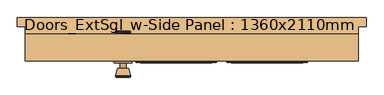
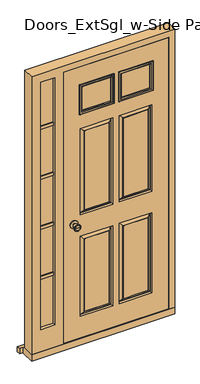
"""IFC4 building model written with IfcOpenShell, lengths in millimetres: door geometry, Doors_ExtSgl_w-Side Panel : 1360x2110mm."""

from ifc_helpers import new_model, si_unit, point, frame, frame_2d, origin, place, context, project, spatial, polyline, circle_curve, ellipse_curve, trimmed, segment, composite_curve, outline, extrude, faceted_brep, source, transform, mapped, element, save
from ifc_brep_helpers import plane_surface, cylinder_surface, revolved_surface, advanced_brep


def doors_extsgl_w_side_panel_1360x2110mm_85254eec(model_context):
    return source(origin(), model_context, "Body", "SolidModel", [
        advanced_brep(
        [(-505.5, -70.0, 1000.0), (-495.5, -70.0, 1000.0), (-515.5, -70.0, 1000.0), (-485.0241324, -119.0, 1000.0), (-505.5, -119.0, 1000.0), (-525.9758676, -119.0, 1000.0), (-480.5, -117.1721319, 1000.0), (-530.5, -117.1721319, 1000.0), (-480.5, -113.7084537, 1000.0), (-530.5, -113.7084537, 1000.0), (-486.863764, -89.0, 1000.0), (-524.136236, -89.0, 1000.0), (-495.5, -89.0, 1000.0), (-515.5, -89.0, 1000.0)],
        [
            (0, 1),
            (1, 2, circle_curve(frame((-505.5, -70.0, 1000.0), z_axis=(0.0, 1.0, 0.0), x_axis=(-1.0, 0.0, 0.0)), 10.0)),
            (2, 0),
            (2, 1, circle_curve(frame((-505.5, -70.0, 1000.0), z_axis=(0.0, 1.0, 0.0), x_axis=(-1.0, 0.0, 0.0)), 10.0)),
            (3, 4),
            (4, 5),
            (5, 3, circle_curve(frame((-505.5, -119.0, 1000.0), z_axis=(0.0, -1.0, 0.0), x_axis=(-1.0, 0.0, 0.0)), 20.4758676)),
            (3, 5, circle_curve(frame((-505.5, -119.0, 1000.0), z_axis=(0.0, -1.0, 0.0), x_axis=(-1.0, 0.0, 0.0)), 20.4758676)),
            (6, 3),
            (5, 7),
            (7, 6, circle_curve(frame((-505.5, -117.1721319, 1000.0), z_axis=(0.0, -1.0, 0.0), x_axis=(-1.0, 0.0, 0.0)), 25.0)),
            (6, 7, circle_curve(frame((-505.5, -117.1721319, 1000.0), z_axis=(0.0, -1.0, 0.0), x_axis=(-1.0, 0.0, 0.0)), 25.0)),
            (8, 6),
            (7, 9),
            (9, 8, circle_curve(frame((-505.5, -113.7084537, 1000.0), z_axis=(0.0, -1.0, 0.0), x_axis=(-1.0, 0.0, 0.0)), 25.0)),
            (8, 9, circle_curve(frame((-505.5, -113.7084537, 1000.0), z_axis=(0.0, -1.0, 0.0), x_axis=(-1.0, 0.0, 0.0)), 25.0)),
            (10, 8),
            (9, 11),
            (11, 10, circle_curve(frame((-505.5, -89.0, 1000.0), z_axis=(0.0, -1.0, 0.0), x_axis=(-1.0, 0.0, 0.0)), 18.636236)),
            (10, 11, circle_curve(frame((-505.5, -89.0, 1000.0), z_axis=(0.0, -1.0, 0.0), x_axis=(-1.0, 0.0, 0.0)), 18.636236)),
            (12, 10),
            (11, 13),
            (13, 12, circle_curve(frame((-505.5, -89.0, 1000.0), z_axis=(0.0, -1.0, 0.0), x_axis=(-1.0, 0.0, 0.0)), 10.0)),
            (12, 13, circle_curve(frame((-505.5, -89.0, 1000.0), z_axis=(0.0, -1.0, 0.0), x_axis=(-1.0, 0.0, 0.0)), 10.0)),
            (1, 12),
            (13, 2),
        ],
        [
            plane_surface(frame((-505.5, -70.0, 1000.0), z_axis=(0.0, 1.0, 0.0), x_axis=(-1.0, 0.0, 0.0))),
            plane_surface(frame((-505.5, -119.0, 1000.0), z_axis=(0.0, -1.0, 0.0), x_axis=(-1.0, 0.0, 0.0))),
            revolved_surface(polyline([(-525.9758676, -119.0, 1000.0), (-530.5, -117.1721319, 1000.0)]), (-505.5, -70.0, 1000.0), (0.0, 1.0, 0.0)),
            cylinder_surface(frame((-505.5, -70.0, 1000.0), z_axis=(0.0, 1.0, 0.0), x_axis=(-1.0, 0.0, 0.0)), 25.0),
            revolved_surface(polyline([(-530.5, -113.7084537, 1000.0), (-524.136236, -89.0, 1000.0)]), (-505.5, -70.0, 1000.0), (0.0, 1.0, 0.0)),
            plane_surface(frame((-505.5, -89.0, 1000.0), z_axis=(0.0, 1.0, 0.0), x_axis=(-1.0, 0.0, 0.0))),
            cylinder_surface(frame((-505.5, -70.0, 1000.0), z_axis=(0.0, 1.0, 0.0), x_axis=(-1.0, 0.0, 0.0)), 10.0),
        ],
        [
            (0, [[1, 2, 3]]),
            (0, [[-3, 4, -1]]),
            (1, [[5, 6, 7]]),
            (1, [[-6, -5, 8]]),
            (2, [[9, -7, 10, 11]]),
            (2, [[-10, -8, -9, 12]]),
            (3, [[13, -11, 14, 15]]),
            (3, [[-14, -12, -13, 16]]),
            (4, [[17, -15, 18, 19]]),
            (4, [[-18, -16, -17, 20]]),
            (5, [[21, -19, 22, 23]]),
            (5, [[-22, -20, -21, 24]]),
            (6, [[25, -23, 26, -2]]),
            (6, [[-26, -24, -25, -4]]),
        ],
    ),
        extrude(outline(composite_curve([segment(trimmed(circle_curve(frame_2d((1000.0, -505.5)), 30.0), [point((1000.0, -535.5))], [point((1000.0, -475.5))], False, "CARTESIAN"), True, "CONTINUOUS"), segment(trimmed(circle_curve(frame_2d((1000.0, -505.5)), 30.0), [point((1000.0, -475.5))], [point((1000.0, -535.5))], False, "CARTESIAN"), True, "CONTINUOUS")], self_intersect=False)), frame((0.0, -70.0, 0.0), z_axis=(0.0, 1.0, 0.0), x_axis=(0.0, 0.0, 1.0)), (0.0, 0.0, 1.0), 6.0),
        advanced_brep(
        [(-505.5, -14.0, 1000.0), (-515.5, -14.0, 1000.0), (-495.5, -14.0, 1000.0), (-485.0241324, 35.0, 1000.0), (-525.9758676, 35.0, 1000.0), (-505.5, 35.0, 1000.0), (-480.5, 33.1721319, 1000.0), (-530.5, 33.1721319, 1000.0), (-480.5, 29.7084537, 1000.0), (-530.5, 29.7084537, 1000.0), (-486.863764, 5.0, 1000.0), (-524.136236, 5.0, 1000.0), (-495.5, 5.0, 1000.0), (-515.5, 5.0, 1000.0)],
        [
            (0, 1),
            (1, 2, circle_curve(frame((-505.5, -14.0, 1000.0), z_axis=(0.0, -1.0, 0.0), x_axis=(-1.0, 0.0, 0.0)), 10.0)),
            (2, 0),
            (2, 1, circle_curve(frame((-505.5, -14.0, 1000.0), z_axis=(0.0, -1.0, 0.0), x_axis=(-1.0, 0.0, 0.0)), 10.0)),
            (3, 4, circle_curve(frame((-505.5, 35.0, 1000.0), z_axis=(0.0, 1.0, 0.0), x_axis=(-1.0, 0.0, 0.0)), 20.4758676)),
            (4, 5),
            (5, 3),
            (4, 3, circle_curve(frame((-505.5, 35.0, 1000.0), z_axis=(0.0, 1.0, 0.0), x_axis=(-1.0, 0.0, 0.0)), 20.4758676)),
            (6, 7, circle_curve(frame((-505.5, 33.1721319, 1000.0), z_axis=(0.0, 1.0, 0.0), x_axis=(-1.0, 0.0, 0.0)), 25.0)),
            (7, 4),
            (3, 6),
            (7, 6, circle_curve(frame((-505.5, 33.1721319, 1000.0), z_axis=(0.0, 1.0, 0.0), x_axis=(-1.0, 0.0, 0.0)), 25.0)),
            (8, 9, circle_curve(frame((-505.5, 29.7084537, 1000.0), z_axis=(0.0, 1.0, 0.0), x_axis=(-1.0, 0.0, 0.0)), 25.0)),
            (9, 7),
            (6, 8),
            (9, 8, circle_curve(frame((-505.5, 29.7084537, 1000.0), z_axis=(0.0, 1.0, 0.0), x_axis=(-1.0, 0.0, 0.0)), 25.0)),
            (10, 11, circle_curve(frame((-505.5, 5.0, 1000.0), z_axis=(0.0, 1.0, 0.0), x_axis=(-1.0, 0.0, 0.0)), 18.636236)),
            (11, 9),
            (8, 10),
            (11, 10, circle_curve(frame((-505.5, 5.0, 1000.0), z_axis=(0.0, 1.0, 0.0), x_axis=(-1.0, 0.0, 0.0)), 18.636236)),
            (12, 13, circle_curve(frame((-505.5, 5.0, 1000.0), z_axis=(0.0, 1.0, 0.0), x_axis=(-1.0, 0.0, 0.0)), 10.0)),
            (13, 11),
            (10, 12),
            (13, 12, circle_curve(frame((-505.5, 5.0, 1000.0), z_axis=(0.0, 1.0, 0.0), x_axis=(-1.0, 0.0, 0.0)), 10.0)),
            (1, 13),
            (12, 2),
        ],
        [
            plane_surface(frame((-505.5, -14.0, 1000.0), z_axis=(0.0, -1.0, 0.0), x_axis=(-1.0, 0.0, 0.0))),
            plane_surface(frame((-505.5, 35.0, 1000.0), z_axis=(0.0, 1.0, 0.0), x_axis=(-1.0, 0.0, 0.0))),
            revolved_surface(polyline([(-525.9758676, 35.0, 1000.0), (-530.5, 33.1721319, 1000.0)]), (-505.5, -14.0, 1000.0), (0.0, -1.0, 0.0)),
            cylinder_surface(frame((-505.5, -14.0, 1000.0), z_axis=(0.0, -1.0, 0.0), x_axis=(-1.0, 0.0, 0.0)), 25.0),
            revolved_surface(polyline([(-530.5, 29.7084537, 1000.0), (-524.136236, 5.0, 1000.0)]), (-505.5, -14.0, 1000.0), (0.0, -1.0, 0.0)),
            plane_surface(frame((-505.5, 5.0, 1000.0), z_axis=(0.0, -1.0, 0.0), x_axis=(-1.0, 0.0, 0.0))),
            cylinder_surface(frame((-505.5, -14.0, 1000.0), z_axis=(0.0, -1.0, 0.0), x_axis=(-1.0, 0.0, 0.0)), 10.0),
        ],
        [
            (0, [[1, 2, 3]]),
            (0, [[-3, 4, -1]]),
            (1, [[5, 6, 7]]),
            (1, [[8, -7, -6]]),
            (2, [[9, 10, -5, 11]]),
            (2, [[12, -11, -8, -10]]),
            (3, [[13, 14, -9, 15]]),
            (3, [[16, -15, -12, -14]]),
            (4, [[17, 18, -13, 19]]),
            (4, [[20, -19, -16, -18]]),
            (5, [[21, 22, -17, 23]]),
            (5, [[24, -23, -20, -22]]),
            (6, [[-2, 25, -21, 26]]),
            (6, [[-4, -26, -24, -25]]),
        ],
    ),
        extrude(outline(composite_curve([segment(trimmed(circle_curve(frame_2d((1000.0, -505.5)), 30.0), [point((1000.0, -535.5))], [point((1000.0, -475.5))], False, "CARTESIAN"), True, "CONTINUOUS"), segment(trimmed(circle_curve(frame_2d((1000.0, -505.5)), 30.0), [point((1000.0, -475.5))], [point((1000.0, -535.5))], False, "CARTESIAN"), True, "CONTINUOUS")], self_intersect=False)), frame((0.0, -20.0, 0.0), z_axis=(0.0, 1.0, 0.0), x_axis=(0.0, 0.0, 1.0)), (0.0, 0.0, 1.0), 6.0),
        faceted_brep([(200.5, 25.0, 54.5), (271.0, 25.0, 54.5), (271.0, -64.0, 54.5), (222.5, -64.0, 54.5), (222.5, -17.0, 54.5), (200.5, -17.0, 54.5), (200.5, 25.0, 2239.5), (-563.5, 25.0, 2239.5), (-563.5, 25.0, 54.5), (-829.0, 25.0, 54.5), (-829.0, 25.0, 2310.0), (271.0, 25.0, 2310.0), (-649.5, 25.0, 2239.5), (-758.5, 25.0, 2239.5), (-758.5, 25.0, 233.5), (-649.5, 25.0, 233.5), (271.0, -64.0, 2310.0), (-829.0, -64.0, 2310.0), (-829.0, -64.0, 54.5), (-585.5, -64.0, 54.5), (-585.5, -64.0, 2261.5), (222.5, -64.0, 2261.5), (-649.5, -64.0, 233.5), (-758.5, -64.0, 233.5), (-758.5, -64.0, 2239.5), (-649.5, -64.0, 2239.5), (222.5, -17.0, 2261.5), (-585.5, -17.0, 2261.5), (-585.5, -17.0, 54.5), (-563.5, -17.0, 54.5), (-563.5, -17.0, 2239.5), (200.5, -17.0, 2239.5), (-627.5, -17.0, 2261.5), (-780.5, -17.0, 2261.5), (-780.5, -17.0, 218.5), (-627.5, -17.0, 218.5), (-758.5, -17.0, 2239.5), (-649.5, -17.0, 2239.5), (-649.5, -17.0, 233.5), (-758.5, -17.0, 233.5), (-649.5, -41.0, 233.5), (-758.5, -41.0, 233.5), (-758.5, -41.0, 2239.5), (-649.5, -41.0, 2239.5), (-780.5, -41.0, 2261.5), (-780.5, -41.0, 218.5), (-627.5, -41.0, 218.5), (-627.5, -41.0, 2261.5)], [[[0, 1, 2, 3, 4, 5]], [[1, 0, 6, 7, 8, 9, 10, 11], [12, 13, 14, 15]], [[2, 1, 11, 16]], [[3, 2, 16, 17, 18, 19, 20, 21], [22, 23, 24, 25]], [[4, 3, 21, 26]], [[5, 4, 26, 27, 28, 29, 30, 31]], [[32, 33, 34, 35], [36, 37, 38, 39]], [[0, 5, 31, 6]], [[29, 8, 7, 30]], [[18, 9, 8, 29, 28, 19]], [[10, 9, 18, 17]], [[13, 36, 39, 14]], [[39, 38, 15, 14]], [[37, 12, 15, 38]], [[23, 22, 40, 41]], [[24, 23, 41, 42]], [[22, 25, 43, 40]], [[19, 28, 27, 20]], [[44, 45, 34, 33]], [[45, 46, 35, 34]], [[46, 47, 32, 35]], [[46, 45, 44, 47], [41, 40, 43, 42]], [[11, 10, 17, 16]], [[26, 21, 20, 27]], [[33, 32, 47, 44]], [[6, 31, 30, 7]], [[36, 13, 12, 37]], [[25, 24, 42, 43]]]),
        extrude(outline(polyline([(94.5, -54.0), (-155.5, -54.0), (-155.5, -30.0), (94.5, -30.0), (94.5, -54.0)])), frame((0.0, 0.0, 1883.5), z_axis=(0.0, 0.0, 1.0), x_axis=(1.0, 0.0, 0.0)), (0.0, 0.0, 1.0), 225.0),
        extrude(outline(polyline([(-205.5, -54.0), (-455.5, -54.0), (-455.5, -30.0), (-205.5, -30.0), (-205.5, -54.0)])), frame((0.0, 0.0, 1883.5), z_axis=(0.0, 0.0, 1.0), x_axis=(1.0, 0.0, 0.0)), (0.0, 0.0, 1.0), 225.0),
        faceted_brep([(296.0, 80.0, 0.0), (296.0, 80.0, 38.5947221), (296.0, 50.0, 47.2703282), (296.0, 50.0, 0.0), (-854.0, 80.0, 38.5947221), (-854.0, 80.0, 0.0), (-854.0, 50.0, 0.0), (-854.0, 50.0, 47.2703282), (271.0, 50.0, 0.0), (271.0, -64.0, 0.0), (-829.0, -64.0, 0.0), (-829.0, 50.0, 0.0), (-829.0, 50.0, 47.2703282), (-829.0, 25.0, 54.5), (271.0, 25.0, 54.5), (271.0, 50.0, 47.2703282), (-829.0, -64.0, 54.5), (271.0, -64.0, 54.5)], [[[0, 1, 2, 3]], [[4, 5, 6, 7]], [[5, 0, 3, 8, 9, 10, 11, 6]], [[1, 0, 5, 4]], [[1, 4, 7, 12, 13, 14, 15, 2]], [[13, 16, 17, 14]], [[16, 10, 9, 17]], [[12, 11, 10, 16, 13]], [[11, 12, 7, 6]], [[8, 15, 14, 17, 9]], [[15, 8, 3, 2]]]),
        faceted_brep([(219.5, -64.0, 58.5), (219.5, -64.0, 2258.5), (-580.5, -64.0, 2258.5), (-580.5, -64.0, 58.5), (-155.5, -64.0, 1883.5), (-155.5, -64.0, 2108.5), (94.5, -64.0, 2108.5), (94.5, -64.0, 1883.5), (-455.5, -64.0, 1883.5), (-455.5, -64.0, 2108.5), (-205.5, -64.0, 2108.5), (-205.5, -64.0, 1883.5), (-205.5, -64.0, 883.5), (-205.5, -64.0, 233.5), (-455.5, -64.0, 233.5), (-455.5, -64.0, 883.5), (94.5, -64.0, 883.5), (94.5, -64.0, 233.5), (-155.5, -64.0, 233.5), (-155.5, -64.0, 883.5), (-205.5, -64.0, 1758.5), (-205.5, -64.0, 1058.5), (-455.5, -64.0, 1058.5), (-455.5, -64.0, 1758.5), (94.5, -64.0, 1758.5), (94.5, -64.0, 1058.5), (-155.5, -64.0, 1058.5), (-155.5, -64.0, 1758.5), (-235.5, -64.0, 263.5), (-235.5, -64.0, 853.5), (-425.5, -64.0, 853.5), (-425.5, -64.0, 263.5), (64.5, -64.0, 263.5), (64.5, -64.0, 853.5), (-125.5, -64.0, 853.5), (-125.5, -64.0, 263.5), (-235.5, -64.0, 1088.5), (-235.5, -64.0, 1728.5), (-425.5, -64.0, 1728.5), (-425.5, -64.0, 1088.5), (64.5, -64.0, 1088.5), (64.5, -64.0, 1728.5), (-125.5, -64.0, 1728.5), (-125.5, -64.0, 1088.5), (219.5, -20.0, 58.5), (-580.5, -20.0, 58.5), (-580.5, -20.0, 2258.5), (219.5, -20.0, 2258.5), (-155.5, -20.0, 1883.5), (94.5, -20.0, 1883.5), (94.5, -20.0, 2108.5), (-155.5, -20.0, 2108.5), (-455.5, -20.0, 1883.5), (-205.5, -20.0, 1883.5), (-205.5, -20.0, 2108.5), (-455.5, -20.0, 2108.5), (-155.5, -20.0, 883.5), (-155.5, -20.0, 233.5), (94.5, -20.0, 233.5), (94.5, -20.0, 883.5), (-455.5, -20.0, 883.5), (-455.5, -20.0, 233.5), (-205.5, -20.0, 233.5), (-205.5, -20.0, 883.5), (-155.5, -20.0, 1758.5), (-155.5, -20.0, 1058.5), (94.5, -20.0, 1058.5), (94.5, -20.0, 1758.5), (-455.5, -20.0, 1758.5), (-455.5, -20.0, 1058.5), (-205.5, -20.0, 1058.5), (-205.5, -20.0, 1758.5), (-125.5, -20.0, 263.5), (-125.5, -20.0, 853.5), (64.5, -20.0, 853.5), (64.5, -20.0, 263.5), (-425.5, -20.0, 263.5), (-425.5, -20.0, 853.5), (-235.5, -20.0, 853.5), (-235.5, -20.0, 263.5), (-125.5, -20.0, 1088.5), (-125.5, -20.0, 1728.5), (64.5, -20.0, 1728.5), (64.5, -20.0, 1088.5), (-425.5, -20.0, 1088.5), (-425.5, -20.0, 1728.5), (-235.5, -20.0, 1728.5), (-235.5, -20.0, 1088.5), (-152.5, -35.0, 880.5), (-152.5, -35.0, 236.5), (-127.5, -21.0, 855.5), (-127.5, -21.0, 261.5), (-147.5, -35.0, 241.5), (-147.5, -35.0, 875.5), (-125.5, -21.0, 263.5), (-125.5, -21.0, 853.5), (91.5, -35.0, 236.5), (66.5, -21.0, 261.5), (86.5, -35.0, 241.5), (64.5, -21.0, 263.5), (91.5, -35.0, 880.5), (66.5, -21.0, 855.5), (86.5, -35.0, 875.5), (64.5, -21.0, 853.5), (-452.5, -35.0, 880.5), (-452.5, -35.0, 236.5), (-427.5, -21.0, 855.5), (-427.5, -21.0, 261.5), (-447.5, -35.0, 241.5), (-447.5, -35.0, 875.5), (-425.5, -21.0, 263.5), (-425.5, -21.0, 853.5), (-208.5, -35.0, 236.5), (-233.5, -21.0, 261.5), (-213.5, -35.0, 241.5), (-235.5, -21.0, 263.5), (-208.5, -35.0, 880.5), (-233.5, -21.0, 855.5), (-213.5, -35.0, 875.5), (-235.5, -21.0, 853.5), (-235.5, -63.0, 263.5), (-235.5, -63.0, 853.5), (-213.5, -49.0, 241.5), (-213.5, -49.0, 875.5), (-233.5, -63.0, 855.5), (-233.5, -63.0, 261.5), (-208.5, -49.0, 880.5), (-208.5, -49.0, 236.5), (-425.5, -63.0, 853.5), (-447.5, -49.0, 875.5), (-427.5, -63.0, 855.5), (-452.5, -49.0, 880.5), (-425.5, -63.0, 263.5), (-447.5, -49.0, 241.5), (-427.5, -63.0, 261.5), (-452.5, -49.0, 236.5), (91.5, -49.0, 880.5), (91.5, -49.0, 236.5), (66.5, -63.0, 855.5), (66.5, -63.0, 261.5), (86.5, -49.0, 241.5), (86.5, -49.0, 875.5), (64.5, -63.0, 263.5), (64.5, -63.0, 853.5), (-152.5, -49.0, 236.5), (-127.5, -63.0, 261.5), (-147.5, -49.0, 241.5), (-125.5, -63.0, 263.5), (-152.5, -49.0, 880.5), (-127.5, -63.0, 855.5), (-147.5, -49.0, 875.5), (-125.5, -63.0, 853.5), (-125.5, -21.0, 1088.5), (-125.5, -21.0, 1728.5), (-147.5, -35.0, 1066.5), (-147.5, -35.0, 1750.5), (-127.5, -21.0, 1730.5), (-127.5, -21.0, 1086.5), (-152.5, -35.0, 1755.5), (-152.5, -35.0, 1061.5), (64.5, -21.0, 1728.5), (86.5, -35.0, 1750.5), (66.5, -21.0, 1730.5), (91.5, -35.0, 1755.5), (64.5, -21.0, 1088.5), (86.5, -35.0, 1066.5), (66.5, -21.0, 1086.5), (91.5, -35.0, 1061.5), (-425.5, -21.0, 1088.5), (-425.5, -21.0, 1728.5), (-447.5, -35.0, 1066.5), (-447.5, -35.0, 1750.5), (-427.5, -21.0, 1730.5), (-427.5, -21.0, 1086.5), (-452.5, -35.0, 1755.5), (-452.5, -35.0, 1061.5), (-235.5, -21.0, 1728.5), (-213.5, -35.0, 1750.5), (-233.5, -21.0, 1730.5), (-208.5, -35.0, 1755.5), (-235.5, -21.0, 1088.5), (-213.5, -35.0, 1066.5), (-233.5, -21.0, 1086.5), (-208.5, -35.0, 1061.5), (-235.5, -63.0, 1088.5), (-235.5, -63.0, 1728.5), (-213.5, -49.0, 1066.5), (-213.5, -49.0, 1750.5), (-233.5, -63.0, 1730.5), (-233.5, -63.0, 1086.5), (-208.5, -49.0, 1755.5), (-208.5, -49.0, 1061.5), (-425.5, -63.0, 1728.5), (-447.5, -49.0, 1750.5), (-427.5, -63.0, 1730.5), (-452.5, -49.0, 1755.5), (-425.5, -63.0, 1088.5), (-447.5, -49.0, 1066.5), (-427.5, -63.0, 1086.5), (-452.5, -49.0, 1061.5), (91.5, -49.0, 1755.5), (91.5, -49.0, 1061.5), (66.5, -63.0, 1730.5), (66.5, -63.0, 1086.5), (86.5, -49.0, 1066.5), (86.5, -49.0, 1750.5), (64.5, -63.0, 1088.5), (64.5, -63.0, 1728.5), (-152.5, -49.0, 1061.5), (-127.5, -63.0, 1086.5), (-147.5, -49.0, 1066.5), (-125.5, -63.0, 1088.5), (-152.5, -49.0, 1755.5), (-127.5, -63.0, 1730.5), (-147.5, -49.0, 1750.5), (-125.5, -63.0, 1728.5)], [[[0, 1, 2, 3], [4, 5, 6, 7], [8, 9, 10, 11], [12, 13, 14, 15], [16, 17, 18, 19], [20, 21, 22, 23], [24, 25, 26, 27]], [[28, 29, 30, 31]], [[32, 33, 34, 35]], [[36, 37, 38, 39]], [[40, 41, 42, 43]], [[44, 45, 46, 47], [48, 49, 50, 51], [52, 53, 54, 55], [56, 57, 58, 59], [60, 61, 62, 63], [64, 65, 66, 67], [68, 69, 70, 71]], [[72, 73, 74, 75]], [[76, 77, 78, 79]], [[80, 81, 82, 83]], [[84, 85, 86, 87]], [[1, 0, 44, 47]], [[2, 1, 47, 46]], [[3, 2, 46, 45]], [[0, 3, 45, 44]], [[5, 4, 48, 51]], [[6, 5, 51, 50]], [[7, 6, 50, 49]], [[4, 7, 49, 48]], [[9, 8, 52, 55]], [[10, 9, 55, 54]], [[11, 10, 54, 53]], [[8, 11, 53, 52]], [[88, 89, 57, 56]], [[90, 91, 92, 93]], [[72, 94, 95, 73]], [[57, 89, 96, 58]], [[92, 91, 97, 98]], [[94, 72, 75, 99]], [[58, 96, 100, 59]], [[98, 97, 101, 102]], [[99, 75, 74, 103]], [[88, 56, 59, 100]], [[89, 88, 100, 96], [93, 92, 98, 102]], [[90, 93, 102, 101]], [[91, 90, 101, 97], [95, 94, 99, 103]], [[73, 95, 103, 74]], [[104, 105, 61, 60]], [[106, 107, 108, 109]], [[76, 110, 111, 77]], [[61, 105, 112, 62]], [[108, 107, 113, 114]], [[110, 76, 79, 115]], [[62, 112, 116, 63]], [[114, 113, 117, 118]], [[115, 79, 78, 119]], [[104, 60, 63, 116]], [[105, 104, 116, 112], [109, 108, 114, 118]], [[106, 109, 118, 117]], [[107, 106, 117, 113], [111, 110, 115, 119]], [[77, 111, 119, 78]], [[120, 121, 29, 28]], [[122, 123, 124, 125]], [[12, 126, 127, 13]], [[29, 121, 128, 30]], [[124, 123, 129, 130]], [[126, 12, 15, 131]], [[30, 128, 132, 31]], [[130, 129, 133, 134]], [[131, 15, 14, 135]], [[120, 28, 31, 132]], [[125, 124, 130, 134], [121, 120, 132, 128]], [[122, 125, 134, 133]], [[127, 126, 131, 135], [123, 122, 133, 129]], [[13, 127, 135, 14]], [[136, 137, 17, 16]], [[138, 139, 140, 141]], [[32, 142, 143, 33]], [[17, 137, 144, 18]], [[140, 139, 145, 146]], [[142, 32, 35, 147]], [[18, 144, 148, 19]], [[146, 145, 149, 150]], [[147, 35, 34, 151]], [[136, 16, 19, 148]], [[137, 136, 148, 144], [141, 140, 146, 150]], [[138, 141, 150, 149]], [[139, 138, 149, 145], [143, 142, 147, 151]], [[33, 143, 151, 34]], [[152, 153, 81, 80]], [[154, 155, 156, 157]], [[64, 158, 159, 65]], [[81, 153, 160, 82]], [[156, 155, 161, 162]], [[158, 64, 67, 163]], [[82, 160, 164, 83]], [[162, 161, 165, 166]], [[163, 67, 66, 167]], [[152, 80, 83, 164]], [[157, 156, 162, 166], [153, 152, 164, 160]], [[154, 157, 166, 165]], [[159, 158, 163, 167], [155, 154, 165, 161]], [[65, 159, 167, 66]], [[168, 169, 85, 84]], [[170, 171, 172, 173]], [[68, 174, 175, 69]], [[85, 169, 176, 86]], [[172, 171, 177, 178]], [[174, 68, 71, 179]], [[86, 176, 180, 87]], [[178, 177, 181, 182]], [[179, 71, 70, 183]], [[168, 84, 87, 180]], [[173, 172, 178, 182], [169, 168, 180, 176]], [[170, 173, 182, 181]], [[175, 174, 179, 183], [171, 170, 181, 177]], [[69, 175, 183, 70]], [[184, 185, 37, 36]], [[186, 187, 188, 189]], [[20, 190, 191, 21]], [[37, 185, 192, 38]], [[188, 187, 193, 194]], [[190, 20, 23, 195]], [[38, 192, 196, 39]], [[194, 193, 197, 198]], [[195, 23, 22, 199]], [[184, 36, 39, 196]], [[189, 188, 194, 198], [185, 184, 196, 192]], [[186, 189, 198, 197]], [[191, 190, 195, 199], [187, 186, 197, 193]], [[21, 191, 199, 22]], [[200, 201, 25, 24]], [[202, 203, 204, 205]], [[40, 206, 207, 41]], [[25, 201, 208, 26]], [[204, 203, 209, 210]], [[206, 40, 43, 211]], [[26, 208, 212, 27]], [[210, 209, 213, 214]], [[211, 43, 42, 215]], [[200, 24, 27, 212]], [[201, 200, 212, 208], [205, 204, 210, 214]], [[202, 205, 214, 213]], [[203, 202, 213, 209], [207, 206, 211, 215]], [[41, 207, 215, 42]]]),
        advanced_brep(
        [(102.5, -68.0, 1875.5), (102.5, -64.0, 1875.5), (102.5, -64.0, 2116.5), (102.5, -68.0, 2116.5), (100.5, -70.0, 1877.5), (100.5, -70.0, 2114.5), (82.5, -65.0, 1895.5), (87.5, -70.0, 1890.5), (87.5, -70.0, 2101.5), (82.5, -65.0, 2096.5), (82.5, -54.0, 1895.5), (82.5, -54.0, 2096.5), (94.5, -64.0, 1883.5), (94.5, -54.0, 1883.5), (94.5, -54.0, 2108.5), (94.5, -64.0, 2108.5), (-163.5, -64.0, 2116.5), (-163.5, -68.0, 2116.5), (-161.5, -70.0, 2114.5), (-148.5, -70.0, 2101.5), (-143.5, -65.0, 2096.5), (-143.5, -54.0, 2096.5), (-155.5, -54.0, 2108.5), (-155.5, -64.0, 2108.5), (-163.5, -64.0, 1875.5), (-163.5, -68.0, 1875.5), (-161.5, -70.0, 1877.5), (-148.5, -70.0, 1890.5), (-143.5, -65.0, 1895.5), (-143.5, -54.0, 1895.5), (-155.5, -54.0, 1883.5), (-155.5, -64.0, 1883.5)],
        [
            (0, 1),
            (1, 2),
            (2, 3),
            (3, 0),
            (4, 0, ellipse_curve(frame((100.5, -68.0, 1877.5), z_axis=(0.7071067811865475, 0.0, 0.7071067811865475), x_axis=(0.7071067811865474, 0.0, -0.7071067811865476)), 2.8284271, 2.0)),
            (3, 5, ellipse_curve(frame((100.5, -68.0, 2114.5), z_axis=(0.7071067811865475, 0.0, -0.7071067811865475), x_axis=(-0.7071067811865474, 0.0, -0.7071067811865476)), 2.8284271, 2.0)),
            (5, 4),
            (6, 7, ellipse_curve(frame((87.5, -65.0, 1890.5), z_axis=(0.7071067811865475, 0.0, 0.7071067811865475), x_axis=(0.7071067811865474, 0.0, -0.7071067811865476)), 7.0710678, 5.0)),
            (7, 8),
            (8, 9, ellipse_curve(frame((87.5, -65.0, 2101.5), z_axis=(0.7071067811865475, 0.0, -0.7071067811865475), x_axis=(-0.7071067811865474, 0.0, -0.7071067811865476)), 7.0710678, 5.0)),
            (9, 6),
            (10, 6),
            (9, 11),
            (11, 10),
            (12, 13),
            (13, 14),
            (14, 15),
            (15, 12),
            (2, 16),
            (16, 17),
            (17, 3),
            (17, 18, ellipse_curve(frame((-161.5, -68.0, 2114.5), z_axis=(0.7071067811865475, 0.0, 0.7071067811865475), x_axis=(0.7071067811865476, 0.0, -0.7071067811865474)), 2.8284271, 2.0)),
            (18, 5),
            (8, 19),
            (19, 20, ellipse_curve(frame((-148.5, -65.0, 2101.5), z_axis=(0.7071067811865475, 0.0, 0.7071067811865475), x_axis=(0.7071067811865476, 0.0, -0.7071067811865474)), 7.0710678, 5.0)),
            (20, 9),
            (20, 21),
            (21, 11),
            (14, 22),
            (22, 23),
            (23, 15),
            (16, 24),
            (24, 25),
            (25, 17),
            (25, 26, ellipse_curve(frame((-161.5, -68.0, 1877.5), z_axis=(-0.7071067811865475, 0.0, 0.7071067811865475), x_axis=(0.7071067811865474, 0.0, 0.7071067811865476)), 2.8284271, 2.0)),
            (26, 18),
            (19, 27),
            (27, 28, ellipse_curve(frame((-148.5, -65.0, 1890.5), z_axis=(-0.7071067811865475, 0.0, 0.7071067811865475), x_axis=(0.7071067811865474, 0.0, 0.7071067811865476)), 7.0710678, 5.0)),
            (28, 20),
            (28, 29),
            (29, 21),
            (22, 30),
            (30, 31),
            (31, 23),
            (24, 1),
            (0, 25),
            (4, 26),
            (7, 27),
            (6, 28),
            (10, 29),
            (13, 30),
            (12, 31),
        ],
        [
            plane_surface(frame((102.5, -64.0, 1875.5), z_axis=(1.0, 0.0, 0.0), x_axis=(0.0, 0.0, 1.0))),
            cylinder_surface(frame((100.5, -68.0, 1883.5), z_axis=(0.0, 0.0, -1.0), x_axis=(1.0, 0.0, 0.0)), 2.0),
            cylinder_surface(frame((87.5, -65.0, 1883.5), z_axis=(0.0, 0.0, -1.0), x_axis=(1.0, 0.0, 0.0)), 5.0),
            plane_surface(frame((82.5, -65.0, 1895.5), z_axis=(-1.0, 0.0, 0.0), x_axis=(0.0, 0.0, 1.0))),
            plane_surface(frame((94.5, -54.0, 1883.5), z_axis=(1.0, 0.0, 0.0), x_axis=(0.0, 0.0, 1.0))),
            plane_surface(frame((102.5, -64.0, 2116.5), z_axis=(0.0, 0.0, 1.0), x_axis=(-1.0, 0.0, 0.0))),
            cylinder_surface(frame((94.5, -68.0, 2114.5), z_axis=(1.0, 0.0, 0.0), x_axis=(0.0, 0.0, 1.0)), 2.0),
            cylinder_surface(frame((94.5, -65.0, 2101.5), z_axis=(1.0, 0.0, 0.0), x_axis=(0.0, 0.0, 1.0)), 5.0),
            plane_surface(frame((82.5, -65.0, 2096.5), z_axis=(0.0, 0.0, -1.0), x_axis=(-1.0, 0.0, 0.0))),
            plane_surface(frame((94.5, -54.0, 2108.5), z_axis=(0.0, 0.0, 1.0), x_axis=(-1.0, 0.0, 0.0))),
            plane_surface(frame((-163.5, -64.0, 2116.5), z_axis=(-1.0, 0.0, 0.0), x_axis=(0.0, 0.0, -1.0))),
            cylinder_surface(frame((-161.5, -68.0, 2108.5), z_axis=(0.0, 0.0, 1.0), x_axis=(-1.0, 0.0, 0.0)), 2.0),
            cylinder_surface(frame((-148.5, -65.0, 2108.5), z_axis=(0.0, 0.0, 1.0), x_axis=(-1.0, 0.0, 0.0)), 5.0),
            plane_surface(frame((-143.5, -65.0, 2096.5), z_axis=(1.0, 0.0, 0.0), x_axis=(0.0, 0.0, -1.0))),
            plane_surface(frame((-155.5, -54.0, 2108.5), z_axis=(-1.0, 0.0, 0.0), x_axis=(0.0, 0.0, -1.0))),
            plane_surface(frame((-163.5, -64.0, 1875.5), z_axis=(0.0, 0.0, -1.0), x_axis=(1.0, 0.0, 0.0))),
            cylinder_surface(frame((-155.5, -68.0, 1877.5), z_axis=(-1.0, 0.0, 0.0), x_axis=(0.0, 0.0, -1.0)), 2.0),
            plane_surface(frame((-161.5, -70.0, 1877.5), z_axis=(0.0, -1.0, 0.0), x_axis=(1.0, 0.0, 0.0))),
            cylinder_surface(frame((-155.5, -65.0, 1890.5), z_axis=(-1.0, 0.0, 0.0), x_axis=(0.0, 0.0, -1.0)), 5.0),
            plane_surface(frame((-143.5, -65.0, 1895.5), z_axis=(0.0, 0.0, 1.0), x_axis=(1.0, 0.0, 0.0))),
            plane_surface(frame((-143.5, -54.0, 1895.5), z_axis=(0.0, 1.0, 0.0), x_axis=(1.0, 0.0, 0.0))),
            plane_surface(frame((-155.5, -54.0, 1883.5), z_axis=(0.0, 0.0, -1.0), x_axis=(1.0, 0.0, 0.0))),
            plane_surface(frame((-155.5, -64.0, 1883.5), z_axis=(0.0, 1.0, 0.0), x_axis=(1.0, 0.0, 0.0))),
        ],
        [
            (0, [[1, 2, 3, 4]]),
            (1, [[5, -4, 6, 7]]),
            (2, [[8, 9, 10, 11]]),
            (3, [[12, -11, 13, 14]]),
            (4, [[15, 16, 17, 18]]),
            (5, [[-3, 19, 20, 21]]),
            (6, [[-6, -21, 22, 23]]),
            (7, [[-10, 24, 25, 26]]),
            (8, [[-13, -26, 27, 28]]),
            (9, [[-17, 29, 30, 31]]),
            (10, [[-20, 32, 33, 34]]),
            (11, [[-22, -34, 35, 36]]),
            (12, [[-25, 37, 38, 39]]),
            (13, [[-27, -39, 40, 41]]),
            (14, [[-30, 42, 43, 44]]),
            (15, [[-33, 45, -1, 46]]),
            (16, [[-35, -46, -5, 47]]),
            (17, [[-23, -36, -47, -7], [48, -37, -24, -9]]),
            (18, [[-38, -48, -8, 49]]),
            (19, [[-40, -49, -12, 50]]),
            (20, [[51, -42, -29, -16], [-28, -41, -50, -14]]),
            (21, [[-43, -51, -15, 52]]),
            (22, [[-45, -32, -19, -2], [-31, -44, -52, -18]]),
        ],
    ),
        advanced_brep(
        [(-197.5, -68.0, 1875.5), (-197.5, -64.0, 1875.5), (-197.5, -64.0, 2116.5), (-197.5, -68.0, 2116.5), (-199.5, -70.0, 1877.5), (-199.5, -70.0, 2114.5), (-217.5, -65.0, 1895.5), (-212.5, -70.0, 1890.5), (-212.5, -70.0, 2101.5), (-217.5, -65.0, 2096.5), (-217.5, -54.0, 1895.5), (-217.5, -54.0, 2096.5), (-205.5, -64.0, 1883.5), (-205.5, -54.0, 1883.5), (-205.5, -54.0, 2108.5), (-205.5, -64.0, 2108.5), (-463.5, -64.0, 2116.5), (-463.5, -68.0, 2116.5), (-461.5, -70.0, 2114.5), (-448.5, -70.0, 2101.5), (-443.5, -65.0, 2096.5), (-443.5, -54.0, 2096.5), (-455.5, -54.0, 2108.5), (-455.5, -64.0, 2108.5), (-463.5, -64.0, 1875.5), (-463.5, -68.0, 1875.5), (-461.5, -70.0, 1877.5), (-448.5, -70.0, 1890.5), (-443.5, -65.0, 1895.5), (-443.5, -54.0, 1895.5), (-455.5, -54.0, 1883.5), (-455.5, -64.0, 1883.5)],
        [
            (0, 1),
            (1, 2),
            (2, 3),
            (3, 0),
            (4, 0, ellipse_curve(frame((-199.5, -68.0, 1877.5), z_axis=(0.7071067811865475, 0.0, 0.7071067811865475), x_axis=(0.7071067811865474, 0.0, -0.7071067811865476)), 2.8284271, 2.0)),
            (3, 5, ellipse_curve(frame((-199.5, -68.0, 2114.5), z_axis=(0.7071067811865475, 0.0, -0.7071067811865475), x_axis=(-0.7071067811865474, 0.0, -0.7071067811865476)), 2.8284271, 2.0)),
            (5, 4),
            (6, 7, ellipse_curve(frame((-212.5, -65.0, 1890.5), z_axis=(0.7071067811865475, 0.0, 0.7071067811865475), x_axis=(0.7071067811865474, 0.0, -0.7071067811865476)), 7.0710678, 5.0)),
            (7, 8),
            (8, 9, ellipse_curve(frame((-212.5, -65.0, 2101.5), z_axis=(0.7071067811865475, 0.0, -0.7071067811865475), x_axis=(-0.7071067811865474, 0.0, -0.7071067811865476)), 7.0710678, 5.0)),
            (9, 6),
            (10, 6),
            (9, 11),
            (11, 10),
            (12, 13),
            (13, 14),
            (14, 15),
            (15, 12),
            (2, 16),
            (16, 17),
            (17, 3),
            (17, 18, ellipse_curve(frame((-461.5, -68.0, 2114.5), z_axis=(0.7071067811865475, 0.0, 0.7071067811865475), x_axis=(0.7071067811865476, 0.0, -0.7071067811865474)), 2.8284271, 2.0)),
            (18, 5),
            (8, 19),
            (19, 20, ellipse_curve(frame((-448.5, -65.0, 2101.5), z_axis=(0.7071067811865475, 0.0, 0.7071067811865475), x_axis=(0.7071067811865476, 0.0, -0.7071067811865474)), 7.0710678, 5.0)),
            (20, 9),
            (20, 21),
            (21, 11),
            (14, 22),
            (22, 23),
            (23, 15),
            (16, 24),
            (24, 25),
            (25, 17),
            (25, 26, ellipse_curve(frame((-461.5, -68.0, 1877.5), z_axis=(-0.7071067811865475, 0.0, 0.7071067811865475), x_axis=(0.7071067811865474, 0.0, 0.7071067811865476)), 2.8284271, 2.0)),
            (26, 18),
            (19, 27),
            (27, 28, ellipse_curve(frame((-448.5, -65.0, 1890.5), z_axis=(-0.7071067811865475, 0.0, 0.7071067811865475), x_axis=(0.7071067811865474, 0.0, 0.7071067811865476)), 7.0710678, 5.0)),
            (28, 20),
            (28, 29),
            (29, 21),
            (22, 30),
            (30, 31),
            (31, 23),
            (24, 1),
            (0, 25),
            (4, 26),
            (7, 27),
            (6, 28),
            (10, 29),
            (13, 30),
            (12, 31),
        ],
        [
            plane_surface(frame((-197.5, -64.0, 1875.5), z_axis=(1.0, 0.0, 0.0), x_axis=(0.0, 0.0, 1.0))),
            cylinder_surface(frame((-199.5, -68.0, 1883.5), z_axis=(0.0, 0.0, -1.0), x_axis=(1.0, 0.0, 0.0)), 2.0),
            cylinder_surface(frame((-212.5, -65.0, 1883.5), z_axis=(0.0, 0.0, -1.0), x_axis=(1.0, 0.0, 0.0)), 5.0),
            plane_surface(frame((-217.5, -65.0, 1895.5), z_axis=(-1.0, 0.0, 0.0), x_axis=(0.0, 0.0, 1.0))),
            plane_surface(frame((-205.5, -54.0, 1883.5), z_axis=(1.0, 0.0, 0.0), x_axis=(0.0, 0.0, 1.0))),
            plane_surface(frame((-197.5, -64.0, 2116.5), z_axis=(0.0, 0.0, 1.0), x_axis=(-1.0, 0.0, 0.0))),
            cylinder_surface(frame((-205.5, -68.0, 2114.5), z_axis=(1.0, 0.0, 0.0), x_axis=(0.0, 0.0, 1.0)), 2.0),
            cylinder_surface(frame((-205.5, -65.0, 2101.5), z_axis=(1.0, 0.0, 0.0), x_axis=(0.0, 0.0, 1.0)), 5.0),
            plane_surface(frame((-217.5, -65.0, 2096.5), z_axis=(0.0, 0.0, -1.0), x_axis=(-1.0, 0.0, 0.0))),
            plane_surface(frame((-205.5, -54.0, 2108.5), z_axis=(0.0, 0.0, 1.0), x_axis=(-1.0, 0.0, 0.0))),
            plane_surface(frame((-463.5, -64.0, 2116.5), z_axis=(-1.0, 0.0, 0.0), x_axis=(0.0, 0.0, -1.0))),
            cylinder_surface(frame((-461.5, -68.0, 2108.5), z_axis=(0.0, 0.0, 1.0), x_axis=(-1.0, 0.0, 0.0)), 2.0),
            cylinder_surface(frame((-448.5, -65.0, 2108.5), z_axis=(0.0, 0.0, 1.0), x_axis=(-1.0, 0.0, 0.0)), 5.0),
            plane_surface(frame((-443.5, -65.0, 2096.5), z_axis=(1.0, 0.0, 0.0), x_axis=(0.0, 0.0, -1.0))),
            plane_surface(frame((-455.5, -54.0, 2108.5), z_axis=(-1.0, 0.0, 0.0), x_axis=(0.0, 0.0, -1.0))),
            plane_surface(frame((-463.5, -64.0, 1875.5), z_axis=(0.0, 0.0, -1.0), x_axis=(1.0, 0.0, 0.0))),
            cylinder_surface(frame((-455.5, -68.0, 1877.5), z_axis=(-1.0, 0.0, 0.0), x_axis=(0.0, 0.0, -1.0)), 2.0),
            plane_surface(frame((-461.5, -70.0, 1877.5), z_axis=(0.0, -1.0, 0.0), x_axis=(1.0, 0.0, 0.0))),
            cylinder_surface(frame((-455.5, -65.0, 1890.5), z_axis=(-1.0, 0.0, 0.0), x_axis=(0.0, 0.0, -1.0)), 5.0),
            plane_surface(frame((-443.5, -65.0, 1895.5), z_axis=(0.0, 0.0, 1.0), x_axis=(1.0, 0.0, 0.0))),
            plane_surface(frame((-443.5, -54.0, 1895.5), z_axis=(0.0, 1.0, 0.0), x_axis=(1.0, 0.0, 0.0))),
            plane_surface(frame((-455.5, -54.0, 1883.5), z_axis=(0.0, 0.0, -1.0), x_axis=(1.0, 0.0, 0.0))),
            plane_surface(frame((-455.5, -64.0, 1883.5), z_axis=(0.0, 1.0, 0.0), x_axis=(1.0, 0.0, 0.0))),
        ],
        [
            (0, [[1, 2, 3, 4]]),
            (1, [[5, -4, 6, 7]]),
            (2, [[8, 9, 10, 11]]),
            (3, [[12, -11, 13, 14]]),
            (4, [[15, 16, 17, 18]]),
            (5, [[-3, 19, 20, 21]]),
            (6, [[-6, -21, 22, 23]]),
            (7, [[-10, 24, 25, 26]]),
            (8, [[-13, -26, 27, 28]]),
            (9, [[-17, 29, 30, 31]]),
            (10, [[-20, 32, 33, 34]]),
            (11, [[-22, -34, 35, 36]]),
            (12, [[-25, 37, 38, 39]]),
            (13, [[-27, -39, 40, 41]]),
            (14, [[-30, 42, 43, 44]]),
            (15, [[-33, 45, -1, 46]]),
            (16, [[-35, -46, -5, 47]]),
            (17, [[-23, -36, -47, -7], [48, -37, -24, -9]]),
            (18, [[-38, -48, -8, 49]]),
            (19, [[-40, -49, -12, 50]]),
            (20, [[51, -42, -29, -16], [-28, -41, -50, -14]]),
            (21, [[-43, -51, -15, 52]]),
            (22, [[-45, -32, -19, -2], [-31, -44, -52, -18]]),
        ],
    ),
        advanced_brep(
        [(-463.5, -16.0, 1875.5), (-463.5, -20.0, 1875.5), (-463.5, -20.0, 2116.5), (-463.5, -16.0, 2116.5), (-461.5, -14.0, 1877.5), (-461.5, -14.0, 2114.5), (-443.5, -19.0, 1895.5), (-448.5, -14.0, 1890.5), (-448.5, -14.0, 2101.5), (-443.5, -19.0, 2096.5), (-443.5, -30.0, 1895.5), (-443.5, -30.0, 2096.5), (-455.5, -20.0, 1883.5), (-455.5, -30.0, 1883.5), (-455.5, -30.0, 2108.5), (-455.5, -20.0, 2108.5), (-197.5, -20.0, 2116.5), (-197.5, -16.0, 2116.5), (-199.5, -14.0, 2114.5), (-212.5, -14.0, 2101.5), (-217.5, -19.0, 2096.5), (-217.5, -30.0, 2096.5), (-205.5, -30.0, 2108.5), (-205.5, -20.0, 2108.5), (-197.5, -20.0, 1875.5), (-197.5, -16.0, 1875.5), (-199.5, -14.0, 1877.5), (-212.5, -14.0, 1890.5), (-217.5, -19.0, 1895.5), (-217.5, -30.0, 1895.5), (-205.5, -30.0, 1883.5), (-205.5, -20.0, 1883.5)],
        [
            (0, 1),
            (1, 2),
            (2, 3),
            (3, 0),
            (4, 0, ellipse_curve(frame((-461.5, -16.0, 1877.5), z_axis=(-0.7071067811865475, 0.0, 0.7071067811865475), x_axis=(-0.7071067811865474, 0.0, -0.7071067811865476)), 2.8284271, 2.0)),
            (3, 5, ellipse_curve(frame((-461.5, -16.0, 2114.5), z_axis=(-0.7071067811865475, 0.0, -0.7071067811865475), x_axis=(0.7071067811865474, 0.0, -0.7071067811865476)), 2.8284271, 2.0)),
            (5, 4),
            (6, 7, ellipse_curve(frame((-448.5, -19.0, 1890.5), z_axis=(-0.7071067811865475, 0.0, 0.7071067811865475), x_axis=(-0.7071067811865474, 0.0, -0.7071067811865476)), 7.0710678, 5.0)),
            (7, 8),
            (8, 9, ellipse_curve(frame((-448.5, -19.0, 2101.5), z_axis=(-0.7071067811865475, 0.0, -0.7071067811865475), x_axis=(0.7071067811865474, 0.0, -0.7071067811865476)), 7.0710678, 5.0)),
            (9, 6),
            (10, 6),
            (9, 11),
            (11, 10),
            (12, 13),
            (13, 14),
            (14, 15),
            (15, 12),
            (2, 16),
            (16, 17),
            (17, 3),
            (17, 18, ellipse_curve(frame((-199.5, -16.0, 2114.5), z_axis=(-0.7071067811865475, 0.0, 0.7071067811865475), x_axis=(-0.7071067811865476, 0.0, -0.7071067811865474)), 2.8284271, 2.0)),
            (18, 5),
            (8, 19),
            (19, 20, ellipse_curve(frame((-212.5, -19.0, 2101.5), z_axis=(-0.7071067811865475, 0.0, 0.7071067811865475), x_axis=(-0.7071067811865476, 0.0, -0.7071067811865474)), 7.0710678, 5.0)),
            (20, 9),
            (20, 21),
            (21, 11),
            (14, 22),
            (22, 23),
            (23, 15),
            (16, 24),
            (24, 25),
            (25, 17),
            (25, 26, ellipse_curve(frame((-199.5, -16.0, 1877.5), z_axis=(0.7071067811865475, 0.0, 0.7071067811865475), x_axis=(-0.7071067811865474, 0.0, 0.7071067811865476)), 2.8284271, 2.0)),
            (26, 18),
            (19, 27),
            (27, 28, ellipse_curve(frame((-212.5, -19.0, 1890.5), z_axis=(0.7071067811865475, 0.0, 0.7071067811865475), x_axis=(-0.7071067811865474, 0.0, 0.7071067811865476)), 7.0710678, 5.0)),
            (28, 20),
            (28, 29),
            (29, 21),
            (22, 30),
            (30, 31),
            (31, 23),
            (24, 1),
            (0, 25),
            (4, 26),
            (7, 27),
            (6, 28),
            (10, 29),
            (13, 30),
            (12, 31),
        ],
        [
            plane_surface(frame((-463.5, -20.0, 1875.5), z_axis=(-1.0, 0.0, 0.0), x_axis=(0.0, 0.0, 1.0))),
            cylinder_surface(frame((-461.5, -16.0, 1883.5), z_axis=(0.0, 0.0, -1.0), x_axis=(-1.0, 0.0, 0.0)), 2.0),
            cylinder_surface(frame((-448.5, -19.0, 1883.5), z_axis=(0.0, 0.0, -1.0), x_axis=(-1.0, 0.0, 0.0)), 5.0),
            plane_surface(frame((-443.5, -19.0, 1895.5), z_axis=(1.0, 0.0, 0.0), x_axis=(0.0, 0.0, 1.0))),
            plane_surface(frame((-455.5, -30.0, 1883.5), z_axis=(-1.0, 0.0, 0.0), x_axis=(0.0, 0.0, 1.0))),
            plane_surface(frame((-463.5, -20.0, 2116.5), z_axis=(0.0, 0.0, 1.0), x_axis=(1.0, 0.0, 0.0))),
            cylinder_surface(frame((-455.5, -16.0, 2114.5), z_axis=(-1.0, 0.0, 0.0), x_axis=(0.0, 0.0, 1.0)), 2.0),
            cylinder_surface(frame((-455.5, -19.0, 2101.5), z_axis=(-1.0, 0.0, 0.0), x_axis=(0.0, 0.0, 1.0)), 5.0),
            plane_surface(frame((-443.5, -19.0, 2096.5), z_axis=(0.0, 0.0, -1.0), x_axis=(1.0, 0.0, 0.0))),
            plane_surface(frame((-455.5, -30.0, 2108.5), z_axis=(0.0, 0.0, 1.0), x_axis=(1.0, 0.0, 0.0))),
            plane_surface(frame((-197.5, -20.0, 2116.5), z_axis=(1.0, 0.0, 0.0), x_axis=(0.0, 0.0, -1.0))),
            cylinder_surface(frame((-199.5, -16.0, 2108.5), z_axis=(0.0, 0.0, 1.0), x_axis=(1.0, 0.0, 0.0)), 2.0),
            cylinder_surface(frame((-212.5, -19.0, 2108.5), z_axis=(0.0, 0.0, 1.0), x_axis=(1.0, 0.0, 0.0)), 5.0),
            plane_surface(frame((-217.5, -19.0, 2096.5), z_axis=(-1.0, 0.0, 0.0), x_axis=(0.0, 0.0, -1.0))),
            plane_surface(frame((-205.5, -30.0, 2108.5), z_axis=(1.0, 0.0, 0.0), x_axis=(0.0, 0.0, -1.0))),
            plane_surface(frame((-197.5, -20.0, 1875.5), z_axis=(0.0, 0.0, -1.0), x_axis=(-1.0, 0.0, 0.0))),
            cylinder_surface(frame((-205.5, -16.0, 1877.5), z_axis=(1.0, 0.0, 0.0), x_axis=(0.0, 0.0, -1.0)), 2.0),
            plane_surface(frame((-199.5, -14.0, 1877.5), z_axis=(0.0, 1.0, 0.0), x_axis=(-1.0, 0.0, 0.0))),
            cylinder_surface(frame((-205.5, -19.0, 1890.5), z_axis=(1.0, 0.0, 0.0), x_axis=(0.0, 0.0, -1.0)), 5.0),
            plane_surface(frame((-217.5, -19.0, 1895.5), z_axis=(0.0, 0.0, 1.0), x_axis=(-1.0, 0.0, 0.0))),
            plane_surface(frame((-217.5, -30.0, 1895.5), z_axis=(0.0, -1.0, 0.0), x_axis=(-1.0, 0.0, 0.0))),
            plane_surface(frame((-205.5, -30.0, 1883.5), z_axis=(0.0, 0.0, -1.0), x_axis=(-1.0, 0.0, 0.0))),
            plane_surface(frame((-205.5, -20.0, 1883.5), z_axis=(0.0, -1.0, 0.0), x_axis=(-1.0, 0.0, 0.0))),
        ],
        [
            (0, [[1, 2, 3, 4]]),
            (1, [[5, -4, 6, 7]]),
            (2, [[8, 9, 10, 11]]),
            (3, [[12, -11, 13, 14]]),
            (4, [[15, 16, 17, 18]]),
            (5, [[-3, 19, 20, 21]]),
            (6, [[-6, -21, 22, 23]]),
            (7, [[-10, 24, 25, 26]]),
            (8, [[-13, -26, 27, 28]]),
            (9, [[-17, 29, 30, 31]]),
            (10, [[-20, 32, 33, 34]]),
            (11, [[-22, -34, 35, 36]]),
            (12, [[-25, 37, 38, 39]]),
            (13, [[-27, -39, 40, 41]]),
            (14, [[-30, 42, 43, 44]]),
            (15, [[-33, 45, -1, 46]]),
            (16, [[-35, -46, -5, 47]]),
            (17, [[-23, -36, -47, -7], [48, -37, -24, -9]]),
            (18, [[-38, -48, -8, 49]]),
            (19, [[-40, -49, -12, 50]]),
            (20, [[51, -42, -29, -16], [-28, -41, -50, -14]]),
            (21, [[-43, -51, -15, 52]]),
            (22, [[-45, -32, -19, -2], [-31, -44, -52, -18]]),
        ],
    ),
        advanced_brep(
        [(-163.5, -16.0, 1875.5), (-163.5, -20.0, 1875.5), (-163.5, -20.0, 2116.5), (-163.5, -16.0, 2116.5), (-161.5, -14.0, 1877.5), (-161.5, -14.0, 2114.5), (-143.5, -19.0, 1895.5), (-148.5, -14.0, 1890.5), (-148.5, -14.0, 2101.5), (-143.5, -19.0, 2096.5), (-143.5, -30.0, 1895.5), (-143.5, -30.0, 2096.5), (-155.5, -20.0, 1883.5), (-155.5, -30.0, 1883.5), (-155.5, -30.0, 2108.5), (-155.5, -20.0, 2108.5), (102.5, -20.0, 2116.5), (102.5, -16.0, 2116.5), (100.5, -14.0, 2114.5), (87.5, -14.0, 2101.5), (82.5, -19.0, 2096.5), (82.5, -30.0, 2096.5), (94.5, -30.0, 2108.5), (94.5, -20.0, 2108.5), (102.5, -20.0, 1875.5), (102.5, -16.0, 1875.5), (100.5, -14.0, 1877.5), (87.5, -14.0, 1890.5), (82.5, -19.0, 1895.5), (82.5, -30.0, 1895.5), (94.5, -30.0, 1883.5), (94.5, -20.0, 1883.5)],
        [
            (0, 1),
            (1, 2),
            (2, 3),
            (3, 0),
            (4, 0, ellipse_curve(frame((-161.5, -16.0, 1877.5), z_axis=(-0.7071067811865475, 0.0, 0.7071067811865475), x_axis=(-0.7071067811865474, 0.0, -0.7071067811865476)), 2.8284271, 2.0)),
            (3, 5, ellipse_curve(frame((-161.5, -16.0, 2114.5), z_axis=(-0.7071067811865475, 0.0, -0.7071067811865475), x_axis=(0.7071067811865474, 0.0, -0.7071067811865476)), 2.8284271, 2.0)),
            (5, 4),
            (6, 7, ellipse_curve(frame((-148.5, -19.0, 1890.5), z_axis=(-0.7071067811865475, 0.0, 0.7071067811865475), x_axis=(-0.7071067811865474, 0.0, -0.7071067811865476)), 7.0710678, 5.0)),
            (7, 8),
            (8, 9, ellipse_curve(frame((-148.5, -19.0, 2101.5), z_axis=(-0.7071067811865475, 0.0, -0.7071067811865475), x_axis=(0.7071067811865474, 0.0, -0.7071067811865476)), 7.0710678, 5.0)),
            (9, 6),
            (10, 6),
            (9, 11),
            (11, 10),
            (12, 13),
            (13, 14),
            (14, 15),
            (15, 12),
            (2, 16),
            (16, 17),
            (17, 3),
            (17, 18, ellipse_curve(frame((100.5, -16.0, 2114.5), z_axis=(-0.7071067811865475, 0.0, 0.7071067811865475), x_axis=(-0.7071067811865476, 0.0, -0.7071067811865474)), 2.8284271, 2.0)),
            (18, 5),
            (8, 19),
            (19, 20, ellipse_curve(frame((87.5, -19.0, 2101.5), z_axis=(-0.7071067811865475, 0.0, 0.7071067811865475), x_axis=(-0.7071067811865476, 0.0, -0.7071067811865474)), 7.0710678, 5.0)),
            (20, 9),
            (20, 21),
            (21, 11),
            (14, 22),
            (22, 23),
            (23, 15),
            (16, 24),
            (24, 25),
            (25, 17),
            (25, 26, ellipse_curve(frame((100.5, -16.0, 1877.5), z_axis=(0.7071067811865475, 0.0, 0.7071067811865475), x_axis=(-0.7071067811865474, 0.0, 0.7071067811865476)), 2.8284271, 2.0)),
            (26, 18),
            (19, 27),
            (27, 28, ellipse_curve(frame((87.5, -19.0, 1890.5), z_axis=(0.7071067811865475, 0.0, 0.7071067811865475), x_axis=(-0.7071067811865474, 0.0, 0.7071067811865476)), 7.0710678, 5.0)),
            (28, 20),
            (28, 29),
            (29, 21),
            (22, 30),
            (30, 31),
            (31, 23),
            (24, 1),
            (0, 25),
            (4, 26),
            (7, 27),
            (6, 28),
            (10, 29),
            (13, 30),
            (12, 31),
        ],
        [
            plane_surface(frame((-163.5, -20.0, 1875.5), z_axis=(-1.0, 0.0, 0.0), x_axis=(0.0, 0.0, 1.0))),
            cylinder_surface(frame((-161.5, -16.0, 1883.5), z_axis=(0.0, 0.0, -1.0), x_axis=(-1.0, 0.0, 0.0)), 2.0),
            cylinder_surface(frame((-148.5, -19.0, 1883.5), z_axis=(0.0, 0.0, -1.0), x_axis=(-1.0, 0.0, 0.0)), 5.0),
            plane_surface(frame((-143.5, -19.0, 1895.5), z_axis=(1.0, 0.0, 0.0), x_axis=(0.0, 0.0, 1.0))),
            plane_surface(frame((-155.5, -30.0, 1883.5), z_axis=(-1.0, 0.0, 0.0), x_axis=(0.0, 0.0, 1.0))),
            plane_surface(frame((-163.5, -20.0, 2116.5), z_axis=(0.0, 0.0, 1.0), x_axis=(1.0, 0.0, 0.0))),
            cylinder_surface(frame((-155.5, -16.0, 2114.5), z_axis=(-1.0, 0.0, 0.0), x_axis=(0.0, 0.0, 1.0)), 2.0),
            cylinder_surface(frame((-155.5, -19.0, 2101.5), z_axis=(-1.0, 0.0, 0.0), x_axis=(0.0, 0.0, 1.0)), 5.0),
            plane_surface(frame((-143.5, -19.0, 2096.5), z_axis=(0.0, 0.0, -1.0), x_axis=(1.0, 0.0, 0.0))),
            plane_surface(frame((-155.5, -30.0, 2108.5), z_axis=(0.0, 0.0, 1.0), x_axis=(1.0, 0.0, 0.0))),
            plane_surface(frame((102.5, -20.0, 2116.5), z_axis=(1.0, 0.0, 0.0), x_axis=(0.0, 0.0, -1.0))),
            cylinder_surface(frame((100.5, -16.0, 2108.5), z_axis=(0.0, 0.0, 1.0), x_axis=(1.0, 0.0, 0.0)), 2.0),
            cylinder_surface(frame((87.5, -19.0, 2108.5), z_axis=(0.0, 0.0, 1.0), x_axis=(1.0, 0.0, 0.0)), 5.0),
            plane_surface(frame((82.5, -19.0, 2096.5), z_axis=(-1.0, 0.0, 0.0), x_axis=(0.0, 0.0, -1.0))),
            plane_surface(frame((94.5, -30.0, 2108.5), z_axis=(1.0, 0.0, 0.0), x_axis=(0.0, 0.0, -1.0))),
            plane_surface(frame((102.5, -20.0, 1875.5), z_axis=(0.0, 0.0, -1.0), x_axis=(-1.0, 0.0, 0.0))),
            cylinder_surface(frame((94.5, -16.0, 1877.5), z_axis=(1.0, 0.0, 0.0), x_axis=(0.0, 0.0, -1.0)), 2.0),
            plane_surface(frame((100.5, -14.0, 1877.5), z_axis=(0.0, 1.0, 0.0), x_axis=(-1.0, 0.0, 0.0))),
            cylinder_surface(frame((94.5, -19.0, 1890.5), z_axis=(1.0, 0.0, 0.0), x_axis=(0.0, 0.0, -1.0)), 5.0),
            plane_surface(frame((82.5, -19.0, 1895.5), z_axis=(0.0, 0.0, 1.0), x_axis=(-1.0, 0.0, 0.0))),
            plane_surface(frame((82.5, -30.0, 1895.5), z_axis=(0.0, -1.0, 0.0), x_axis=(-1.0, 0.0, 0.0))),
            plane_surface(frame((94.5, -30.0, 1883.5), z_axis=(0.0, 0.0, -1.0), x_axis=(-1.0, 0.0, 0.0))),
            plane_surface(frame((94.5, -20.0, 1883.5), z_axis=(0.0, -1.0, 0.0), x_axis=(-1.0, 0.0, 0.0))),
        ],
        [
            (0, [[1, 2, 3, 4]]),
            (1, [[5, -4, 6, 7]]),
            (2, [[8, 9, 10, 11]]),
            (3, [[12, -11, 13, 14]]),
            (4, [[15, 16, 17, 18]]),
            (5, [[-3, 19, 20, 21]]),
            (6, [[-6, -21, 22, 23]]),
            (7, [[-10, 24, 25, 26]]),
            (8, [[-13, -26, 27, 28]]),
            (9, [[-17, 29, 30, 31]]),
            (10, [[-20, 32, 33, 34]]),
            (11, [[-22, -34, 35, 36]]),
            (12, [[-25, 37, 38, 39]]),
            (13, [[-27, -39, 40, 41]]),
            (14, [[-30, 42, 43, 44]]),
            (15, [[-33, 45, -1, 46]]),
            (16, [[-35, -46, -5, 47]]),
            (17, [[-23, -36, -47, -7], [48, -37, -24, -9]]),
            (18, [[-38, -48, -8, 49]]),
            (19, [[-40, -49, -12, 50]]),
            (20, [[51, -42, -29, -16], [-28, -41, -50, -14]]),
            (21, [[-43, -51, -15, 52]]),
            (22, [[-45, -32, -19, -2], [-31, -44, -52, -18]]),
        ],
    ),
        extrude(outline(polyline([(-627.5, -46.0), (-780.5, -46.0), (-780.5, -12.0), (-627.5, -12.0), (-627.5, -46.0)])), frame((0.0, 0.0, 1843.4), z_axis=(0.0, 0.0, 1.0), x_axis=(1.0, 0.0, 0.0)), (0.0, 0.0, 1.0), 25.0),
        extrude(outline(polyline([(-627.5, -46.0), (-780.5, -46.0), (-780.5, -12.0), (-627.5, -12.0), (-627.5, -46.0)])), frame((0.0, 0.0, 1437.8), z_axis=(0.0, 0.0, 1.0), x_axis=(1.0, 0.0, 0.0)), (0.0, 0.0, 1.0), 25.0),
        extrude(outline(polyline([(-627.5, -46.0), (-780.5, -46.0), (-780.5, -12.0), (-627.5, -12.0), (-627.5, -46.0)])), frame((0.0, 0.0, 626.6), z_axis=(0.0, 0.0, 1.0), x_axis=(1.0, 0.0, 0.0)), (0.0, 0.0, 1.0), 25.0),
        extrude(outline(polyline([(-627.5, -46.0), (-780.5, -46.0), (-780.5, -12.0), (-627.5, -12.0), (-627.5, -46.0)])), frame((0.0, 0.0, 1032.2), z_axis=(0.0, 0.0, 1.0), x_axis=(1.0, 0.0, 0.0)), (0.0, 0.0, 1.0), 25.0),
        extrude(outline(polyline([(-627.5, -41.0), (-780.5, -41.0), (-780.5, -17.0), (-627.5, -17.0), (-627.5, -41.0)])), frame((0.0, 0.0, 218.5), z_axis=(0.0, 0.0, 1.0), x_axis=(1.0, 0.0, 0.0)), (0.0, 0.0, 1.0), 2043.0),
    ])


if __name__ == "__main__":
    model = new_model("IFC4")
    model_context = context("Model", 3, world=origin())
    ifc_project = project(units=[si_unit("LENGTHUNIT", "METRE", prefix="MILLI")], contexts=[model_context])
    site = spatial("IfcSite", under=ifc_project)
    building = spatial("IfcBuilding", under=site)
    placement = place(None, origin())
    doors_extsgl_w_side_panel_1360x2110mm_shape = doors_extsgl_w_side_panel_1360x2110mm_85254eec(model_context)
    element("IfcDoor", 1, ObjectType="Doors_ExtSgl_w-Side Panel : 1360x2110mm", at=placement, inside=building, context=model_context, shape_type="MappedRepresentation", body=[
        mapped(doors_extsgl_w_side_panel_1360x2110mm_shape, transform((0.0, 0.0, 0.0), x_axis=(1.0, 0.0, 0.0), y_axis=(0.0, 1.0, 0.0), z_axis=(0.0, 0.0, 1.0))),
    ])
    save(model, "model.ifc")
